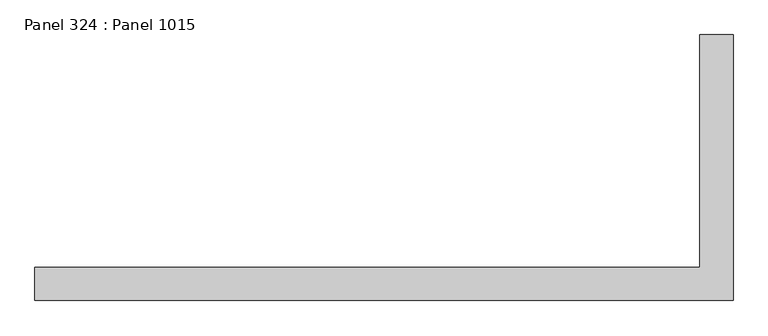
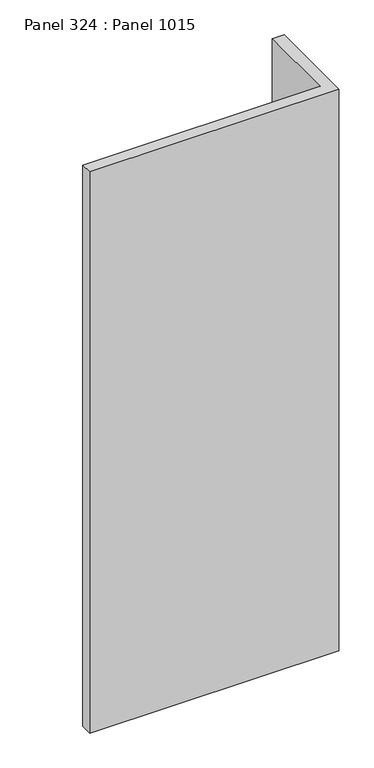
"""IFC4 building model written with IfcOpenShell, lengths in millimetres: proxy geometry, Panel 324 : Panel 1015."""

import ifcopenshell
import ifcopenshell.guid

model = None  # the IFC model being written
_history = None  # IfcOwnerHistory: only IFC2X3 demands one
_inside = {}  # id of a spatial element -> (the spatial element, [elements in it])
_under = {}  # id of a project, library or spatial element -> (it, [spatial elements below it])
_declared = {}  # id of a project -> (the project, [libraries it declares])
_typed = {}  # id of a type object -> (the type object, [elements of that type])
_made_of = {}  # id of a material, layer set ... -> (it, [elements and type objects made of it])


def new_model(schema):
    """Start an empty IFC model of exactly this schema.

    Asked for "IFC4X3", IfcOpenShell would pick the latest addendum, in which some entities
    have other attributes; the version numbers below select the first issue.
    IFC2X3 requires an IfcOwnerHistory on every rooted entity: one is made here for all.
    """
    global model, _history
    if schema == "IFC4X3":
        model = ifcopenshell.file(schema_version=(4, 3, 0, 0))
    else:
        model = ifcopenshell.file(schema=schema)
    _inside.clear()
    _under.clear()
    _declared.clear()
    _typed.clear()
    _made_of.clear()
    _history = None
    if model.schema == "IFC2X3":
        org = make("IfcOrganization", Name="unknown")
        user = make(
            "IfcPersonAndOrganization",
            ThePerson=make("IfcPerson", FamilyName="unknown"),
            TheOrganization=org,
        )
        app = make(
            "IfcApplication",
            ApplicationDeveloper=org,
            Version="unknown",
            ApplicationFullName="unknown",
            ApplicationIdentifier="unknown",
        )
        _history = make(
            "IfcOwnerHistory",
            OwningUser=user,
            OwningApplication=app,
            ChangeAction="ADDED",
            CreationDate=0,
        )
    return model


def make(cls, **values):
    """One entity of the class cls with the attributes given. An attribute that is None is left unset."""
    return model.create_entity(
        cls, **{name: value for name, value in values.items() if value is not None}
    )


def rooted(cls, **values):
    """An entity with a GlobalId (a new one), such as an element, a storey or a relation."""
    return make(cls, GlobalId=ifcopenshell.guid.new(), OwnerHistory=_history, **values)


def si_unit(unit_type, name, prefix=None):
    """IfcSIUnit, for example si_unit("LENGTHUNIT", "METRE", prefix="MILLI")."""
    return make("IfcSIUnit", UnitType=unit_type, Prefix=prefix, Name=name)


def assignment(units):
    """IfcUnitAssignment: the units of a project."""
    return None if units is None else make("IfcUnitAssignment", Units=units)


def point(xyz):
    """IfcCartesianPoint."""
    return None if xyz is None else make("IfcCartesianPoint", Coordinates=xyz)


def direction(xyz):
    """IfcDirection."""
    return None if xyz is None else make("IfcDirection", DirectionRatios=xyz)


def frame(location, z_axis=None, x_axis=None):
    """IfcAxis2Placement3D, a coordinate frame: its origin and axes. An axis left out is left unset."""
    return make(
        "IfcAxis2Placement3D",
        Location=point(location),
        Axis=direction(z_axis),
        RefDirection=direction(x_axis),
    )


def origin():
    """The frame at (0, 0, 0) with its axes left unset."""
    return frame((0.0, 0.0, 0.0))


def place(relative_to, where):
    """IfcLocalPlacement: puts the frame where relative to a parent placement (None: the world)."""
    return make(
        "IfcLocalPlacement", PlacementRelTo=relative_to, RelativePlacement=where
    )


def context(
    kind, dimensions, precision=None, world=None, true_north=None, identifier=None
):
    """IfcGeometricRepresentationContext, for example the 3D "Model" context."""
    return make(
        "IfcGeometricRepresentationContext",
        ContextIdentifier=identifier,
        ContextType=kind,
        CoordinateSpaceDimension=dimensions,
        Precision=precision,
        WorldCoordinateSystem=world,
        TrueNorth=true_north,
    )


def project(units=None, contexts=None):
    """IfcProject with its units and contexts."""
    return rooted(
        "IfcProject",
        Name="project",
        RepresentationContexts=contexts,
        UnitsInContext=assignment(units),
    )


def spatial(cls, under=None, at=None, **own):
    """A site, building, storey or space (cls), placed at a placement, below another one or the project."""
    s = rooted(cls, ObjectPlacement=at, **own)
    if under is not None:
        _under.setdefault(under.id(), (under, []))[1].append(s)
    return s


def polyline(points):
    """IfcPolyline through the points."""
    return make("IfcPolyline", Points=[point(p) for p in points])


def outline(outer, holes=None, kind="AREA"):
    """IfcArbitraryClosedProfileDef: a profile drawn as a closed curve; with holes, ...WithVoids."""
    if holes is None:
        return make("IfcArbitraryClosedProfileDef", ProfileType=kind, OuterCurve=outer)
    return make(
        "IfcArbitraryProfileDefWithVoids",
        ProfileType=kind,
        OuterCurve=outer,
        InnerCurves=holes,
    )


def extrude(swept, where, along, depth):
    """IfcExtrudedAreaSolid: the profile swept, set in the frame where, extruded along a direction by depth."""
    return make(
        "IfcExtrudedAreaSolid",
        SweptArea=swept,
        Position=where,
        ExtrudedDirection=direction(along),
        Depth=depth,
    )


def shape(context_of_items, identifier, shape_type, items):
    """IfcShapeRepresentation: the items that make up one representation, for example the "Body"."""
    return make(
        "IfcShapeRepresentation",
        ContextOfItems=context_of_items,
        RepresentationIdentifier=identifier,
        RepresentationType=shape_type,
        Items=items,
    )


def source(mapping_origin, context_of_items, identifier, shape_type, items):
    """IfcRepresentationMap: a shape defined once, which mapped items show again and again."""
    return make(
        "IfcRepresentationMap",
        MappingOrigin=mapping_origin,
        MappedRepresentation=shape(context_of_items, identifier, shape_type, items),
    )


def transform(
    local_origin,
    x_axis=None,
    y_axis=None,
    z_axis=None,
    scale=None,
    scale2=None,
    scale3=None,
    uniform=True,
):
    """IfcCartesianTransformationOperator3D, or its non-uniform kind. x_axis, y_axis, z_axis: its Axis1, 2, 3."""
    if uniform:
        return make(
            "IfcCartesianTransformationOperator3D",
            Axis1=direction(x_axis),
            Axis2=direction(y_axis),
            LocalOrigin=point(local_origin),
            Scale=scale,
            Axis3=direction(z_axis),
        )
    return make(
        "IfcCartesianTransformationOperator3DnonUniform",
        Axis1=direction(x_axis),
        Axis2=direction(y_axis),
        LocalOrigin=point(local_origin),
        Scale=scale,
        Axis3=direction(z_axis),
        Scale2=scale2,
        Scale3=scale3,
    )


def mapped(mapping_source, mapping_target):
    """IfcMappedItem: shows the shape of a source again, moved by a transform."""
    return make(
        "IfcMappedItem", MappingSource=mapping_source, MappingTarget=mapping_target
    )


def made_of(thing, what):
    """Note that an element or type object is made of a material, layer set ...; save() writes the relation."""
    if what is not None:
        _made_of.setdefault(what.id(), (what, []))[1].append(thing)
    return thing


def element(
    cls,
    number,
    at=None,
    inside=None,
    cuts=None,
    type_object=None,
    material=None,
    context=None,
    identifier="Body",
    shape_type=None,
    held_by="IfcProductDefinitionShape",
    body=None,
    shapes=None,
    **own,
):
    """One element of the class cls, such as IfcWall. Its Tag is "e" and its number.

    at: its placement. inside: the storey or other place that contains it. cuts: it is an
    opening in that element (IfcRelVoidsElement). A single representation is given by context,
    identifier, shape_type and body (its items); several are given by shapes. held_by: the class
    of the entity that holds the representations. save() writes the other relations.
    """
    e = rooted(cls, Tag="e%d" % number, ObjectPlacement=at, **own)
    if body is not None:
        shapes = [shape(context, identifier, shape_type, body)]
    if shapes is not None:
        e.Representation = make(held_by, Representations=shapes)
    if inside is not None:
        _inside.setdefault(inside.id(), (inside, []))[1].append(e)
    if cuts is not None:
        rooted(
            "IfcRelVoidsElement", RelatingBuildingElement=cuts, RelatedOpeningElement=e
        )
    if type_object is not None:
        _typed.setdefault(type_object.id(), (type_object, []))[1].append(e)
    return made_of(e, material)


def aggregate(whole, parts):
    """IfcRelAggregates: a whole, such as a stair, and the parts it consists of."""
    return rooted("IfcRelAggregates", RelatingObject=whole, RelatedObjects=parts)


def save(model, path):
    """Write the relations noted so far, then the file.

    IfcRelAggregates (storeys below a building ...), IfcRelContainedInSpatialStructure (elements
    in a storey), IfcRelDefinesByType, IfcRelAssociatesMaterial and IfcRelDeclares: one each for
    every whole, place, type object, material and project.
    """
    for whole, parts in _under.values():
        aggregate(whole, parts)
    for where, things in _inside.values():
        rooted(
            "IfcRelContainedInSpatialStructure",
            RelatedElements=things,
            RelatingStructure=where,
        )
    for kind, things in _typed.values():
        rooted("IfcRelDefinesByType", RelatedObjects=things, RelatingType=kind)
    for what, things in _made_of.values():
        rooted("IfcRelAssociatesMaterial", RelatedObjects=things, RelatingMaterial=what)
    for by, libraries in _declared.values():
        rooted("IfcRelDeclares", RelatingContext=by, RelatedDefinitions=libraries)
    model.write(path)


def panel_324_panel_1015_d267a975(model_context):
    return source(origin(), model_context, "Body", "SweptSolid", [
        extrude(outline(polyline([(39817.4758581, 330105.7854603), (38767.4758417, 330105.785452), (38767.475891, 330155.7864467), (39767.4758652, 330155.7854611), (39767.4758642, 330505.7854611), (39817.4758725, 330505.7854603), (39817.4758581, 330105.7854603)])), frame((0.0, 0.0, 34575.0), z_axis=(0.0, 0.0, 1.0), x_axis=(1.0, 0.0, 0.0)), (0.0, 0.0, 1.0), 2500.0),
    ])


if __name__ == "__main__":
    model = new_model("IFC4")
    model_context = context("Model", 3, world=origin())
    ifc_project = project(units=[si_unit("LENGTHUNIT", "METRE", prefix="MILLI")], contexts=[model_context])
    site = spatial("IfcSite", under=ifc_project)
    building = spatial("IfcBuilding", under=site)
    placement = place(None, origin())
    panel_324_panel_1015_shape = panel_324_panel_1015_d267a975(model_context)
    element("IfcBuildingElementProxy", 1, Name="Panel 324 : Panel 1015", ObjectType="Panel 324 : Panel 1015", at=placement, inside=building, context=model_context, shape_type="MappedRepresentation", body=[
        mapped(panel_324_panel_1015_shape, transform((0.0, 0.0, 0.0), x_axis=(1.0, 0.0, 0.0), y_axis=(0.0, 1.0, 0.0), z_axis=(0.0, 0.0, 1.0))),
    ])
    save(model, "model.ifc")
